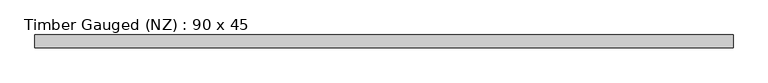
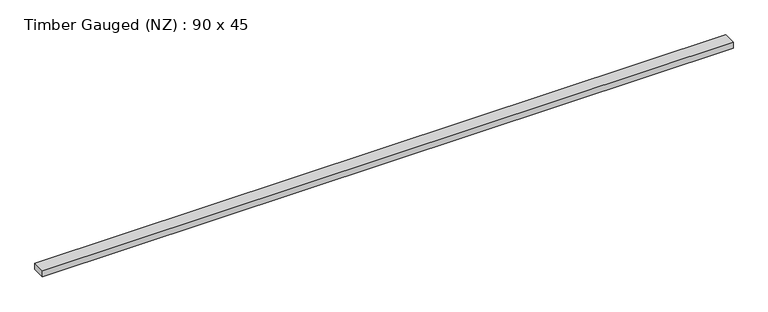
"""IFC4 building model written with IfcOpenShell, lengths in millimetres: beam geometry, Timber Gauged (NZ) : 90 x 45."""

from ifc_helpers import new_model, si_unit, frame, origin, place, context, project, spatial, polyline, outline, extrude, source, transform, mapped, element, save


def timber_gauged_nz_90_x_45_ef92f3d6(model_context):
    return source(origin(), model_context, "Body", "SweptSolid", [
        extrude(outline(polyline([(2407.5, 45.0), (2407.5, -45.0), (-2407.5, -45.0), (-2407.5, 45.0), (2407.5, 45.0)])), frame((0.0, 0.0, -22.5), z_axis=(0.0, 0.0, 1.0), x_axis=(1.0, 0.0, 0.0)), (0.0, 0.0, 1.0), 45.0),
    ])


if __name__ == "__main__":
    model = new_model("IFC4")
    model_context = context("Model", 3, world=origin())
    ifc_project = project(units=[si_unit("LENGTHUNIT", "METRE", prefix="MILLI")], contexts=[model_context])
    site = spatial("IfcSite", under=ifc_project)
    building = spatial("IfcBuilding", under=site)
    placement = place(None, origin())
    timber_gauged_nz_90_x_45_shape = timber_gauged_nz_90_x_45_ef92f3d6(model_context)
    element("IfcBeam", 1, ObjectType="Timber Gauged (NZ) : 90 x 45", at=placement, inside=building, context=model_context, shape_type="MappedRepresentation", body=[
        mapped(timber_gauged_nz_90_x_45_shape, transform((0.0, 0.0, 0.0), x_axis=(1.0, 0.0, 0.0), y_axis=(0.0, 1.0, 0.0), z_axis=(0.0, 0.0, 1.0))),
    ])
    save(model, "model.ifc")
